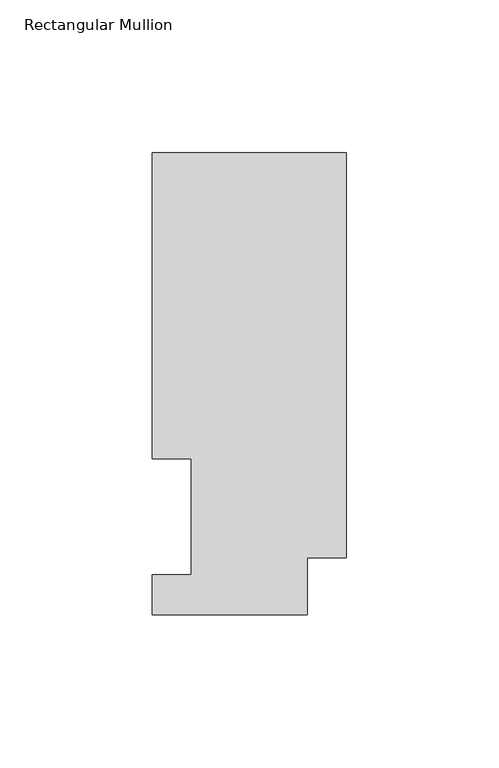
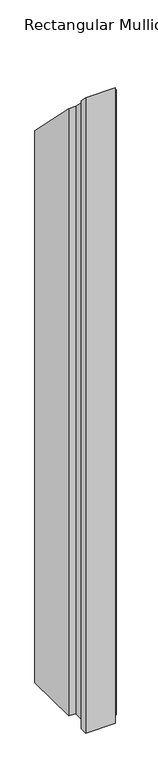
"""IFC4 building model written with IfcOpenShell, lengths in millimetres: member geometry, Rectangular Mullion."""

from ifc_helpers import new_model, si_unit, origin, place, context, project, spatial, faceted_brep, source, transform, mapped, element, save


def rectangular_mullion_03bddbf3(model_context):
    return source(origin(), model_context, "Body", "Brep", [
        faceted_brep([(0.0, 151.7022937, -1155.7), (0.0, 18.7332937, -1155.7), (-12.7, 18.7332937, -1155.7), (-12.7, 0.0134937, -1155.7), (-63.5, 0.0134937, -1155.7), (-63.5, 13.1960938, -1155.7), (-50.8, 13.1960938, -1155.7), (-50.8, 51.2960938, -1155.7), (-63.5, 51.2960938, -1155.7), (-63.5, 151.7022937, -1155.7), (-63.5, 151.7022937, -151.7022937), (0.0, 151.7022937, -151.7022937), (-63.5, 51.2960938, -51.2960938), (-50.8, 51.2960938, -51.2960938), (-50.8, 13.1960938, -13.1960938), (-63.5, 13.1960938, -13.1960938), (-63.5, 0.0134937, -0.0134937), (-12.7, 0.0134937, -0.0134937), (-12.7, 18.7332937, -18.7332937), (0.0, 18.7332937, -18.7332937)], [[[0, 1, 2, 3, 4, 5, 6, 7, 8, 9]], [[10, 11, 0, 9]], [[12, 10, 9, 8]], [[13, 12, 8, 7]], [[14, 13, 7, 6]], [[15, 14, 6, 5]], [[16, 15, 5, 4]], [[17, 16, 4, 3]], [[18, 17, 3, 2]], [[19, 18, 2, 1]], [[11, 19, 1, 0]], [[11, 10, 12, 13, 14, 15, 16, 17, 18, 19]]]),
    ])


if __name__ == "__main__":
    model = new_model("IFC4")
    model_context = context("Model", 3, world=origin())
    ifc_project = project(units=[si_unit("LENGTHUNIT", "METRE", prefix="MILLI")], contexts=[model_context])
    site = spatial("IfcSite", under=ifc_project)
    building = spatial("IfcBuilding", under=site)
    placement = place(None, origin())
    rectangular_mullion_shape = rectangular_mullion_03bddbf3(model_context)
    element("IfcMember", 1, ObjectType="Rectangular Mullion", at=placement, inside=building, context=model_context, shape_type="MappedRepresentation", body=[
        mapped(rectangular_mullion_shape, transform((0.0, 0.0, 0.0), x_axis=(1.0, 0.0, 0.0), y_axis=(0.0, 1.0, 0.0), z_axis=(0.0, 0.0, 1.0))),
    ])
    save(model, "model.ifc")
